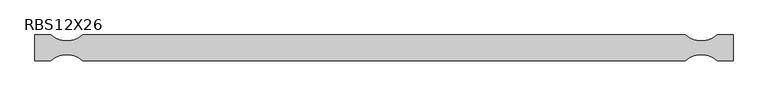
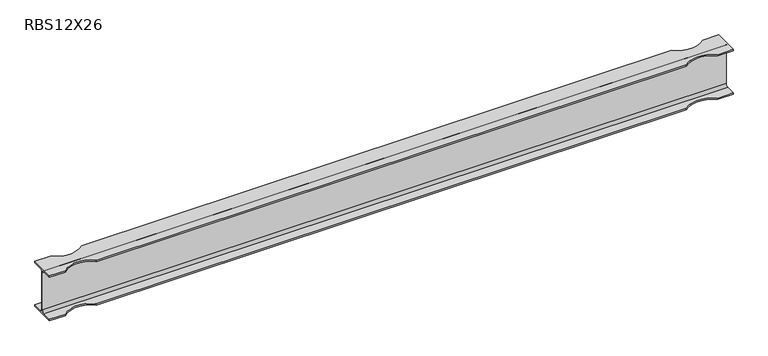
"""IFC4 building model written with IfcOpenShell, lengths in millimetres: beam geometry, RBS12X26."""

from ifc_helpers import new_model, si_unit, frame, origin, place, context, project, spatial, polyline, circle_curve, source, transform, mapped, element, save
from ifc_brep_helpers import plane_surface, revolved_surface, advanced_brep


def rbs12x26_334a36c6(model_context):
    return source(origin(), model_context, "Body", "AdvancedBrep", [
        advanced_brep(
        [(2343.2988281, 82.4011719, -145.5539063), (2343.2988281, 20.2902344, -145.5539063), (2343.2988281, 2.9269531, -128.190625), (2343.2988281, 2.9269531, 128.190625), (2343.2988281, 20.2902344, 145.5539062), (2343.2988281, 82.4011719, 145.5539062), (2343.2988281, 82.4011719, 155.178125), (2343.2988281, -82.4011719, 155.178125), (2343.2988281, -82.4011719, 145.5539062), (2343.2988281, -20.2902344, 145.5539062), (2343.2988281, -2.9269531, 128.190625), (2343.2988281, -2.9269531, -128.190625), (2343.2988281, -20.2902344, -145.5539063), (2343.2988281, -82.4011719, -145.5539063), (2343.2988281, -82.4011719, -155.178125), (2343.2988281, 82.4011719, -155.178125), (-2120.9, 82.4011719, -145.5539063), (-2120.9, 82.4011719, -155.178125), (-2120.9, -82.4011719, -155.178125), (-2120.9, -82.4011719, -145.5539063), (-2120.9, -20.2902344, -145.5539063), (-2120.9, -2.9269531, -128.190625), (-2120.9, -2.9269531, 128.190625), (-2120.9, -20.2902344, 145.5539062), (-2120.9, -82.4011719, 145.5539062), (-2120.9, -82.4011719, 155.178125), (-2120.9, 82.4011719, 155.178125), (-2120.9, 82.4011719, 145.5539062), (-2120.9, 20.2902344, 145.5539062), (-2120.9, 2.9269531, 128.190625), (-2120.9, 2.9269531, -128.190625), (-2120.9, 20.2902344, -145.5539063), (2241.6988281, 82.4011719, -145.5539063), (2038.4988281, 82.4011719, -145.5539063), (-1816.1, 82.4011719, -145.5539063), (-2019.3, 82.4011719, -145.5539063), (-2019.3, 82.4011719, 145.5539062), (-1816.1, 82.4011719, 145.5539062), (2038.4988281, 82.4011719, 145.5539062), (2241.6988281, 82.4011719, 145.5539062), (2241.6988281, 82.4011719, 155.178125), (-2019.3, 82.4011719, 155.178125), (-1816.1, 82.4011719, 155.178125), (2038.4988281, 82.4011719, 155.178125), (-2019.3, -82.4011719, 155.178125), (-1816.1, -82.4011719, 155.178125), (2038.4988281, -82.4011719, 155.178125), (2241.6988281, -82.4011719, 155.178125), (2241.6988281, -82.4011719, 145.5539062), (-2019.3, -82.4011719, 145.5539062), (-1816.1, -82.4011719, 145.5539062), (2038.4988281, -82.4011719, 145.5539062), (-2019.3, -82.4011719, -145.5539063), (-1816.1, -82.4011719, -145.5539063), (2038.4988281, -82.4011719, -145.5539063), (2241.6988281, -82.4011719, -145.5539063), (2241.6988281, -82.4011719, -155.178125), (-2019.3, -82.4011719, -155.178125), (-1816.1, -82.4011719, -155.178125), (2038.4988281, -82.4011719, -155.178125), (-2019.3, 82.4011719, -155.178125), (-1816.1, 82.4011719, -155.178125), (2038.4988281, 82.4011719, -155.178125), (2241.6988281, 82.4011719, -155.178125)],
        [
            (0, 1),
            (1, 2, circle_curve(frame((2343.2988281, 20.2902344, -128.190625), z_axis=(-1.0, 0.0, 0.0), x_axis=(0.0, -1.0, 0.0)), 17.3632812)),
            (2, 3),
            (3, 4, circle_curve(frame((2343.2988281, 20.2902344, 128.190625), z_axis=(-1.0, 0.0, 0.0), x_axis=(0.0, -1.0, 0.0)), 17.3632812)),
            (4, 5),
            (5, 6),
            (6, 7),
            (7, 8),
            (8, 9),
            (9, 10, circle_curve(frame((2343.2988281, -20.2902344, 128.190625), z_axis=(-1.0, 0.0, 0.0), x_axis=(0.0, -1.0, 0.0)), 17.3632812)),
            (10, 11),
            (11, 12, circle_curve(frame((2343.2988281, -20.2902344, -128.190625), z_axis=(-1.0, 0.0, 0.0), x_axis=(0.0, -1.0, 0.0)), 17.3632812)),
            (12, 13),
            (13, 14),
            (14, 15),
            (15, 0),
            (16, 17),
            (17, 18),
            (18, 19),
            (19, 20),
            (20, 21, circle_curve(frame((-2120.9, -20.2902344, -128.190625), z_axis=(1.0, 0.0, 0.0), x_axis=(0.0, -1.0, 0.0)), 17.3632812)),
            (21, 22),
            (22, 23, circle_curve(frame((-2120.9, -20.2902344, 128.190625), z_axis=(1.0, 0.0, 0.0), x_axis=(0.0, -1.0, 0.0)), 17.3632812)),
            (23, 24),
            (24, 25),
            (25, 26),
            (26, 27),
            (27, 28),
            (28, 29, circle_curve(frame((-2120.9, 20.2902344, 128.190625), z_axis=(1.0, 0.0, 0.0), x_axis=(0.0, -1.0, 0.0)), 17.3632812)),
            (29, 30),
            (30, 31, circle_curve(frame((-2120.9, 20.2902344, -128.190625), z_axis=(1.0, 0.0, 0.0), x_axis=(0.0, -1.0, 0.0)), 17.3632812)),
            (31, 16),
            (0, 32),
            (32, 33, circle_curve(frame((2140.0988281, 195.9934251, -145.5539063), z_axis=(0.0, 0.0, -1.0), x_axis=(0.0, 1.0, 0.0)), 152.4)),
            (33, 34),
            (34, 35, circle_curve(frame((-1917.7, 195.9934251, -145.5539063), z_axis=(0.0, 0.0, -1.0), x_axis=(0.0, 1.0, 0.0)), 152.4)),
            (35, 16),
            (31, 1),
            (30, 2),
            (29, 3),
            (28, 4),
            (27, 36),
            (36, 37, circle_curve(frame((-1917.7, 195.9934251, 145.5539062), z_axis=(0.0, 0.0, 1.0), x_axis=(0.0, 1.0, 0.0)), 152.4)),
            (37, 38),
            (38, 39, circle_curve(frame((2140.0988281, 195.9934251, 145.5539062), z_axis=(0.0, 0.0, 1.0), x_axis=(0.0, 1.0, 0.0)), 152.4)),
            (39, 5),
            (39, 40),
            (40, 6),
            (26, 41),
            (41, 36),
            (37, 42),
            (42, 43),
            (43, 38),
            (40, 43, circle_curve(frame((2140.0988281, 195.9934251, 155.178125), z_axis=(0.0, 0.0, -1.0), x_axis=(0.0, 1.0, 0.0)), 152.4)),
            (42, 41, circle_curve(frame((-1917.7, 195.9934251, 155.178125), z_axis=(0.0, 0.0, -1.0), x_axis=(0.0, 1.0, 0.0)), 152.4)),
            (25, 44),
            (44, 45, circle_curve(frame((-1917.7, -195.9934251, 155.178125), z_axis=(0.0, 0.0, -1.0), x_axis=(0.0, 1.0, 0.0)), 152.4)),
            (45, 46),
            (46, 47, circle_curve(frame((2140.0988281, -195.9934251, 155.178125), z_axis=(0.0, 0.0, -1.0), x_axis=(0.0, 1.0, 0.0)), 152.4)),
            (47, 7),
            (47, 48),
            (48, 8),
            (24, 49),
            (49, 44),
            (45, 50),
            (50, 51),
            (51, 46),
            (48, 51, circle_curve(frame((2140.0988281, -195.9934251, 145.5539062), z_axis=(0.0, 0.0, 1.0), x_axis=(0.0, 1.0, 0.0)), 152.4)),
            (50, 49, circle_curve(frame((-1917.7, -195.9934251, 145.5539062), z_axis=(0.0, 0.0, 1.0), x_axis=(0.0, 1.0, 0.0)), 152.4)),
            (23, 9),
            (22, 10),
            (21, 11),
            (20, 12),
            (19, 52),
            (52, 53, circle_curve(frame((-1917.7, -195.9934251, -145.5539063), z_axis=(0.0, 0.0, -1.0), x_axis=(0.0, 1.0, 0.0)), 152.4)),
            (53, 54),
            (54, 55, circle_curve(frame((2140.0988281, -195.9934251, -145.5539063), z_axis=(0.0, 0.0, -1.0), x_axis=(0.0, 1.0, 0.0)), 152.4)),
            (55, 13),
            (55, 56),
            (56, 14),
            (18, 57),
            (57, 52),
            (53, 58),
            (58, 59),
            (59, 54),
            (56, 59, circle_curve(frame((2140.0988281, -195.9934251, -155.178125), z_axis=(0.0, 0.0, 1.0), x_axis=(0.0, 1.0, 0.0)), 152.4)),
            (58, 57, circle_curve(frame((-1917.7, -195.9934251, -155.178125), z_axis=(0.0, 0.0, 1.0), x_axis=(0.0, 1.0, 0.0)), 152.4)),
            (17, 60),
            (60, 61, circle_curve(frame((-1917.7, 195.9934251, -155.178125), z_axis=(0.0, 0.0, 1.0), x_axis=(0.0, 1.0, 0.0)), 152.4)),
            (61, 62),
            (62, 63, circle_curve(frame((2140.0988281, 195.9934251, -155.178125), z_axis=(0.0, 0.0, 1.0), x_axis=(0.0, 1.0, 0.0)), 152.4)),
            (63, 15),
            (63, 32),
            (35, 60),
            (61, 34),
            (33, 62),
        ],
        [
            plane_surface(frame((2343.2988281, 0.0, 0.0), z_axis=(1.0, 0.0, 0.0), x_axis=(0.0, 0.0, 1.0))),
            plane_surface(frame((-2120.9, 0.0, 0.0), z_axis=(-1.0, 0.0, 0.0), x_axis=(0.0, 0.0, 1.0))),
            plane_surface(frame((2343.2988281, 82.4011719, -145.5539063), z_axis=(0.0, 0.0, 1.0), x_axis=(-1.0, 0.0, 0.0))),
            revolved_surface(polyline([(-2120.8999999999996, 2.9269532, -128.190625), (2343.2988281, 2.9269532, -128.190625)]), (2343.2988281, 20.2902344, -128.190625), (-1.0, 0.0, 0.0)),
            plane_surface(frame((2343.2988281, 2.9269531, -128.190625), z_axis=(0.0, 1.0, 0.0), x_axis=(-1.0, 0.0, 0.0))),
            revolved_surface(polyline([(-2120.8999999999996, 2.9269532, 128.190625), (2343.2988281, 2.9269532, 128.190625)]), (2343.2988281, 20.2902344, 128.190625), (-1.0, 0.0, 0.0)),
            plane_surface(frame((2343.2988281, 20.2902344, 145.5539062), z_axis=(0.0, 0.0, -1.0), x_axis=(-1.0, 0.0, 0.0))),
            plane_surface(frame((2343.2988281, 82.4011719, 145.5539062), z_axis=(0.0, 1.0, 0.0), x_axis=(-1.0, 0.0, 0.0))),
            plane_surface(frame((2343.2988281, 82.4011719, 155.178125), z_axis=(0.0, 0.0, 1.0), x_axis=(-1.0, 0.0, 0.0))),
            plane_surface(frame((2343.2988281, -82.4011719, 155.178125), z_axis=(0.0, -1.0, 0.0), x_axis=(-1.0, 0.0, 0.0))),
            plane_surface(frame((2343.2988281, -82.4011719, 145.5539062), z_axis=(0.0, 0.0, -1.0), x_axis=(-1.0, 0.0, 0.0))),
            revolved_surface(polyline([(-2120.8999999999996, -37.6535156, 128.190625), (2343.2988281, -37.6535156, 128.190625)]), (2343.2988281, -20.2902344, 128.190625), (-1.0, 0.0, 0.0)),
            plane_surface(frame((2343.2988281, -2.9269531, 128.190625), z_axis=(0.0, -1.0, 0.0), x_axis=(-1.0, 0.0, 0.0))),
            revolved_surface(polyline([(-2120.8999999999996, -37.6535156, -128.190625), (2343.2988281, -37.6535156, -128.190625)]), (2343.2988281, -20.2902344, -128.190625), (-1.0, 0.0, 0.0)),
            plane_surface(frame((2343.2988281, -20.2902344, -145.5539063), z_axis=(0.0, 0.0, 1.0), x_axis=(-1.0, 0.0, 0.0))),
            plane_surface(frame((2343.2988281, -82.4011719, -145.5539063), z_axis=(0.0, -1.0, 0.0), x_axis=(-1.0, 0.0, 0.0))),
            plane_surface(frame((2343.2988281, -82.4011719, -155.178125), z_axis=(0.0, 0.0, -1.0), x_axis=(-1.0, 0.0, 0.0))),
            plane_surface(frame((2343.2988281, 82.4011719, -155.178125), z_axis=(0.0, 1.0, 0.0), x_axis=(-1.0, 0.0, 0.0))),
            revolved_surface(polyline([(-1917.7, -43.59342509999999, 155.178125), (-1917.7, -43.59342509999999, 145.5539062)]), (-1917.7, -195.9934251, -155.178125), (0.0, 0.0, 1.0)),
            revolved_surface(polyline([(-1917.7, -43.59342509999999, -145.5539063), (-1917.7, -43.59342509999999, -155.178125)]), (-1917.7, -195.9934251, -155.178125), (0.0, 0.0, 1.0)),
            revolved_surface(polyline([(-1917.7, 348.3934251, -145.5539063), (-1917.7, 348.3934251, -155.178125)]), (-1917.7, 195.9934251, -155.178125), (0.0, 0.0, 1.0)),
            revolved_surface(polyline([(-1917.7, 348.3934251, 155.178125), (-1917.7, 348.3934251, 145.5539062)]), (-1917.7, 195.9934251, -155.178125), (0.0, 0.0, 1.0)),
            revolved_surface(polyline([(2140.0988281, -43.59342509999999, 155.178125), (2140.0988281, -43.59342509999999, 145.5539062)]), (2140.0988281, -195.9934251, -155.178125), (0.0, 0.0, 1.0)),
            revolved_surface(polyline([(2140.0988281, -43.59342509999999, -145.5539063), (2140.0988281, -43.59342509999999, -155.178125)]), (2140.0988281, -195.9934251, -155.178125), (0.0, 0.0, 1.0)),
            revolved_surface(polyline([(2140.0988281, 348.3934251, -145.5539063), (2140.0988281, 348.3934251, -155.178125)]), (2140.0988281, 195.9934251, -155.178125), (0.0, 0.0, 1.0)),
            revolved_surface(polyline([(2140.0988281, 348.3934251, 155.178125), (2140.0988281, 348.3934251, 145.5539062)]), (2140.0988281, 195.9934251, -155.178125), (0.0, 0.0, 1.0)),
        ],
        [
            (0, [[1, 2, 3, 4, 5, 6, 7, 8, 9, 10, 11, 12, 13, 14, 15, 16]]),
            (1, [[17, 18, 19, 20, 21, 22, 23, 24, 25, 26, 27, 28, 29, 30, 31, 32]]),
            (2, [[-1, 33, 34, 35, 36, 37, -32, 38]]),
            (3, [[-2, -38, -31, 39]]),
            (4, [[-3, -39, -30, 40]]),
            (5, [[-4, -40, -29, 41]]),
            (6, [[-5, -41, -28, 42, 43, 44, 45, 46]]),
            (7, [[-6, -46, 47, 48]]),
            (7, [[-27, 49, 50, -42]]),
            (7, [[51, 52, 53, -44]]),
            (8, [[-7, -48, 54, -52, 55, -49, -26, 56, 57, 58, 59, 60]]),
            (9, [[-8, -60, 61, 62]]),
            (9, [[-25, 63, 64, -56]]),
            (9, [[65, 66, 67, -58]]),
            (10, [[-9, -62, 68, -66, 69, -63, -24, 70]]),
            (11, [[-10, -70, -23, 71]]),
            (12, [[-11, -71, -22, 72]]),
            (13, [[-12, -72, -21, 73]]),
            (14, [[-13, -73, -20, 74, 75, 76, 77, 78]]),
            (15, [[-14, -78, 79, 80]]),
            (15, [[-19, 81, 82, -74]]),
            (15, [[83, 84, 85, -76]]),
            (16, [[-15, -80, 86, -84, 87, -81, -18, 88, 89, 90, 91, 92]]),
            (17, [[-16, -92, 93, -33]]),
            (17, [[-17, -37, 94, -88]]),
            (17, [[95, -35, 96, -90]]),
            (18, [[-57, -64, -69, -65]]),
            (19, [[-75, -82, -87, -83]]),
            (20, [[-36, -95, -89, -94]]),
            (21, [[-43, -50, -55, -51]]),
            (22, [[-59, -67, -68, -61]]),
            (23, [[-77, -85, -86, -79]]),
            (24, [[-34, -93, -91, -96]]),
            (25, [[-45, -53, -54, -47]]),
        ],
    ),
    ])


if __name__ == "__main__":
    model = new_model("IFC4")
    model_context = context("Model", 3, world=origin())
    ifc_project = project(units=[si_unit("LENGTHUNIT", "METRE", prefix="MILLI")], contexts=[model_context])
    site = spatial("IfcSite", under=ifc_project)
    building = spatial("IfcBuilding", under=site)
    placement = place(None, origin())
    rbs12x26_shape = rbs12x26_334a36c6(model_context)
    element("IfcBeam", 1, ObjectType="RBS12X26", at=placement, inside=building, context=model_context, shape_type="MappedRepresentation", body=[
        mapped(rbs12x26_shape, transform((0.0, 0.0, 0.0), x_axis=(1.0, 0.0, 0.0), y_axis=(0.0, 1.0, 0.0), z_axis=(0.0, 0.0, 1.0))),
    ])
    save(model, "model.ifc")
